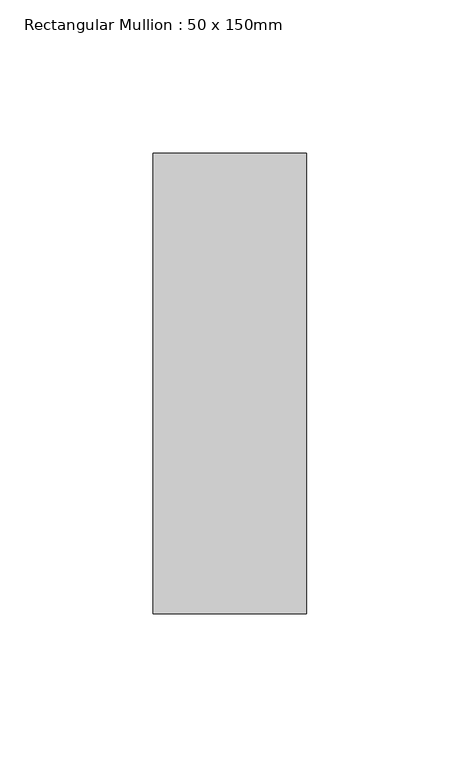
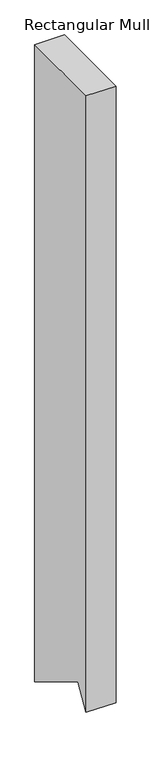
"""IFC4 building model written with IfcOpenShell, lengths in millimetres: member geometry, Rectangular Mullion : 50 x 150mm."""

from ifc_helpers import new_model, si_unit, frame, origin, place, context, project, spatial, polyline, outline, extrude, source, transform, mapped, element, save


def rectangular_mullion_50_x_150mm_78720f8f(model_context):
    return source(origin(), model_context, "Body", "SweptSolid", [
        extrude(outline(polyline([(-75.0, 0.0), (75.0, 0.0), (75.0, -1131.7376439), (-51.3716673, -1055.6915225), (-75.0, -1094.9565335), (-75.0, 0.0)])), frame((-50.0, 0.0, 0.0), z_axis=(1.0, 0.0, 0.0), x_axis=(0.0, 1.0, 0.0)), (0.0, 0.0, 1.0), 50.0),
    ])


if __name__ == "__main__":
    model = new_model("IFC4")
    model_context = context("Model", 3, world=origin())
    ifc_project = project(units=[si_unit("LENGTHUNIT", "METRE", prefix="MILLI")], contexts=[model_context])
    site = spatial("IfcSite", under=ifc_project)
    building = spatial("IfcBuilding", under=site)
    placement = place(None, origin())
    rectangular_mullion_50_x_150mm_shape = rectangular_mullion_50_x_150mm_78720f8f(model_context)
    element("IfcMember", 1, ObjectType="Rectangular Mullion : 50 x 150mm", at=placement, inside=building, context=model_context, shape_type="MappedRepresentation", body=[
        mapped(rectangular_mullion_50_x_150mm_shape, transform((0.0, 0.0, 0.0), x_axis=(1.0, 0.0, 0.0), y_axis=(0.0, 1.0, 0.0), z_axis=(0.0, 0.0, 1.0))),
    ])
    save(model, "model.ifc")
